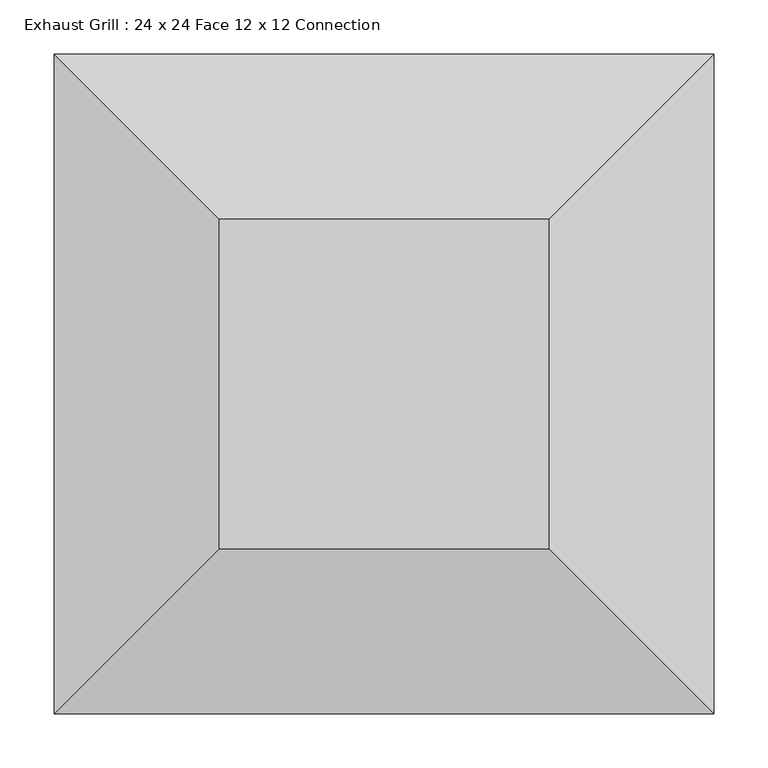
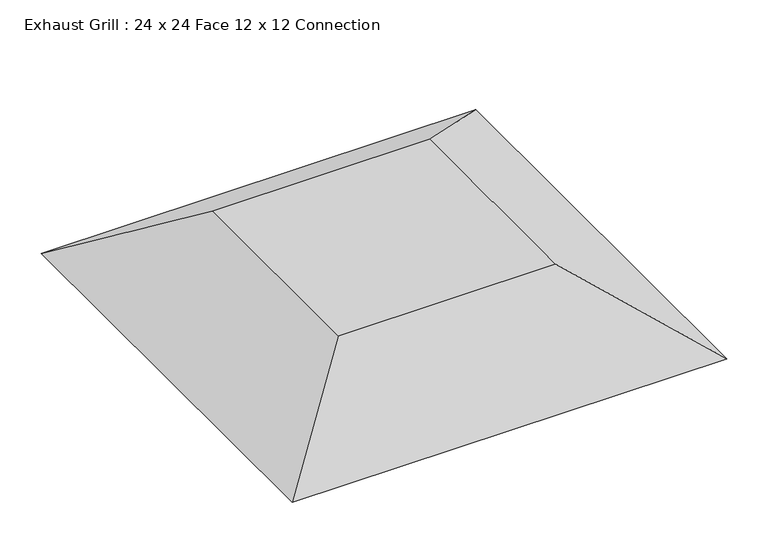
"""IFC4 building model written with IfcOpenShell, lengths in millimetres: air terminal geometry, Exhaust Grill : 24 x 24 Face 12 x 12 Connection."""

from ifc_helpers import new_model, si_unit, origin, place, context, project, spatial, faceted_brep, source, transform, mapped, element, save


def exhaust_grill_24_x_24_face_12_x_12_connection_ff543d60(model_context):
    return source(origin(), model_context, "Body", "Brep", [
        faceted_brep([(152.4, 152.4, 101.6), (-152.4, 152.4, 101.6), (-152.4, -152.4, 101.6), (152.4, -152.4, 101.6), (304.8, 304.8, 0.0), (304.8, -304.8, 0.0), (-304.8, -304.8, 0.0), (-304.8, 304.8, 0.0)], [[[0, 1, 2, 3]], [[4, 5, 6, 7]], [[4, 7, 1, 0]], [[7, 6, 2, 1]], [[6, 5, 3, 2]], [[5, 4, 0, 3]]]),
    ])


if __name__ == "__main__":
    model = new_model("IFC4")
    model_context = context("Model", 3, world=origin())
    ifc_project = project(units=[si_unit("LENGTHUNIT", "METRE", prefix="MILLI")], contexts=[model_context])
    site = spatial("IfcSite", under=ifc_project)
    building = spatial("IfcBuilding", under=site)
    placement = place(None, origin())
    exhaust_grill_24_x_24_face_12_x_12_connection_shape = exhaust_grill_24_x_24_face_12_x_12_connection_ff543d60(model_context)
    element("IfcAirTerminal", 1, ObjectType="Exhaust Grill : 24 x 24 Face 12 x 12 Connection", at=placement, inside=building, context=model_context, shape_type="MappedRepresentation", body=[
        mapped(exhaust_grill_24_x_24_face_12_x_12_connection_shape, transform((0.0, 0.0, 0.0), x_axis=(1.0, 0.0, 0.0), y_axis=(0.0, 1.0, 0.0), z_axis=(0.0, 0.0, 1.0))),
    ])
    save(model, "model.ifc")
